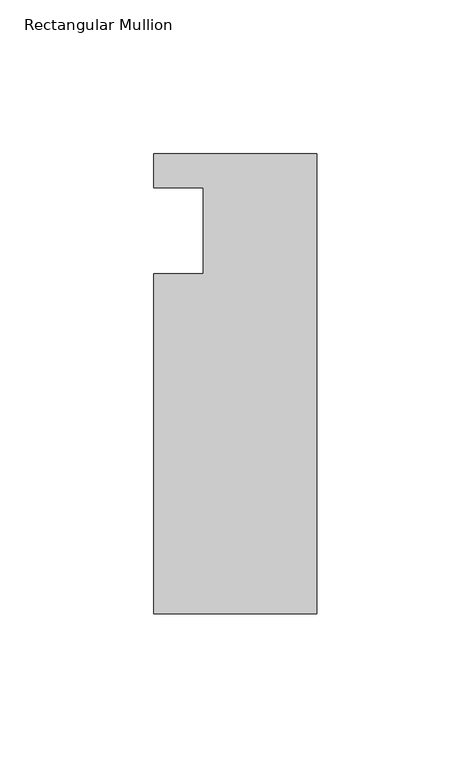
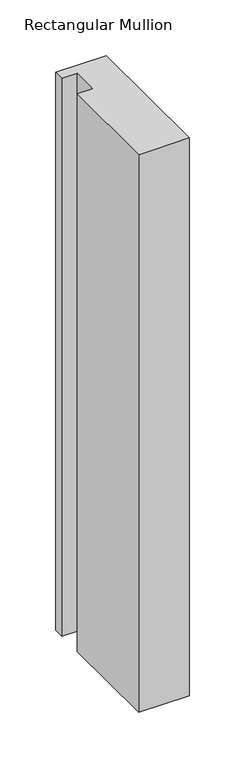
"""IFC4 building model written with IfcOpenShell, lengths in millimetres: member geometry, Rectangular Mullion."""

from ifc_helpers import new_model, si_unit, frame, origin, place, context, project, spatial, polyline, outline, extrude, source, transform, mapped, element, save


def rectangular_mullion_ee1a0230(model_context):
    return source(origin(), model_context, "Body", "SweptSolid", [
        extrude(outline(polyline([(-37.0, 13.9999453), (-53.0, 13.9999453), (-53.0, 24.9999453), (0.0, 24.9999453), (0.0, -124.5000547), (-53.0, -124.5000547), (-53.0, -14.0000547), (-37.0, -14.0000547), (-37.0, 13.9999453)])), frame((0.0, 0.0, -613.1783524), z_axis=(0.0, 0.0, 1.0), x_axis=(1.0, 0.0, 0.0)), (0.0, 0.0, 1.0), 613.1783524),
    ])


if __name__ == "__main__":
    model = new_model("IFC4")
    model_context = context("Model", 3, world=origin())
    ifc_project = project(units=[si_unit("LENGTHUNIT", "METRE", prefix="MILLI")], contexts=[model_context])
    site = spatial("IfcSite", under=ifc_project)
    building = spatial("IfcBuilding", under=site)
    placement = place(None, origin())
    rectangular_mullion_shape = rectangular_mullion_ee1a0230(model_context)
    element("IfcMember", 1, ObjectType="Rectangular Mullion", at=placement, inside=building, context=model_context, shape_type="MappedRepresentation", body=[
        mapped(rectangular_mullion_shape, transform((0.0, 0.0, 0.0), x_axis=(1.0, 0.0, 0.0), y_axis=(0.0, 1.0, 0.0), z_axis=(0.0, 0.0, 1.0))),
    ])
    save(model, "model.ifc")
